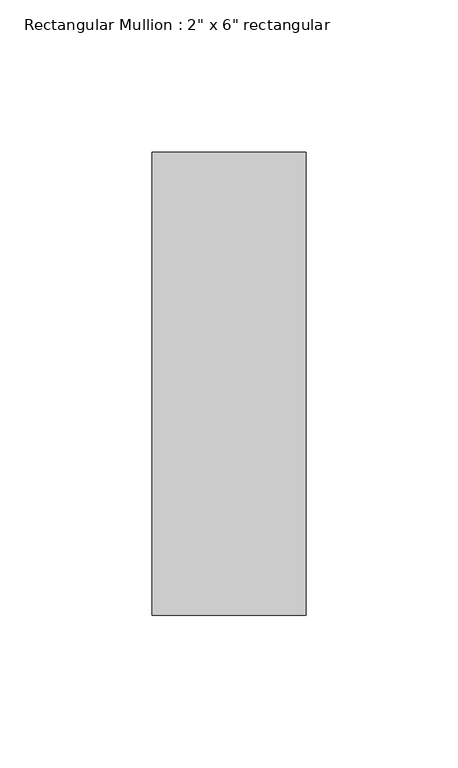
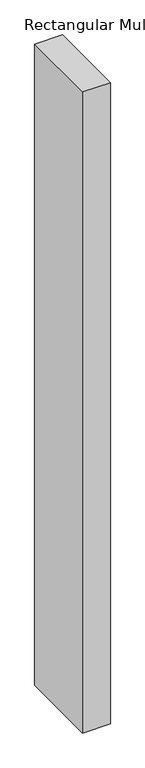
"""IFC4 building model written with IfcOpenShell, lengths in millimetres: member geometry."""

import ifcopenshell
import ifcopenshell.guid

model = None  # the IFC model being written
_history = None  # IfcOwnerHistory: only IFC2X3 demands one
_inside = {}  # id of a spatial element -> (the spatial element, [elements in it])
_under = {}  # id of a project, library or spatial element -> (it, [spatial elements below it])
_declared = {}  # id of a project -> (the project, [libraries it declares])
_typed = {}  # id of a type object -> (the type object, [elements of that type])
_made_of = {}  # id of a material, layer set ... -> (it, [elements and type objects made of it])


def new_model(schema):
    """Start an empty IFC model of exactly this schema.

    Asked for "IFC4X3", IfcOpenShell would pick the latest addendum, in which some entities
    have other attributes; the version numbers below select the first issue.
    IFC2X3 requires an IfcOwnerHistory on every rooted entity: one is made here for all.
    """
    global model, _history
    if schema == "IFC4X3":
        model = ifcopenshell.file(schema_version=(4, 3, 0, 0))
    else:
        model = ifcopenshell.file(schema=schema)
    _inside.clear()
    _under.clear()
    _declared.clear()
    _typed.clear()
    _made_of.clear()
    _history = None
    if model.schema == "IFC2X3":
        org = make("IfcOrganization", Name="unknown")
        user = make(
            "IfcPersonAndOrganization",
            ThePerson=make("IfcPerson", FamilyName="unknown"),
            TheOrganization=org,
        )
        app = make(
            "IfcApplication",
            ApplicationDeveloper=org,
            Version="unknown",
            ApplicationFullName="unknown",
            ApplicationIdentifier="unknown",
        )
        _history = make(
            "IfcOwnerHistory",
            OwningUser=user,
            OwningApplication=app,
            ChangeAction="ADDED",
            CreationDate=0,
        )
    return model


def make(cls, **values):
    """One entity of the class cls with the attributes given. An attribute that is None is left unset."""
    return model.create_entity(
        cls, **{name: value for name, value in values.items() if value is not None}
    )


def rooted(cls, **values):
    """An entity with a GlobalId (a new one), such as an element, a storey or a relation."""
    return make(cls, GlobalId=ifcopenshell.guid.new(), OwnerHistory=_history, **values)


def si_unit(unit_type, name, prefix=None):
    """IfcSIUnit, for example si_unit("LENGTHUNIT", "METRE", prefix="MILLI")."""
    return make("IfcSIUnit", UnitType=unit_type, Prefix=prefix, Name=name)


def assignment(units):
    """IfcUnitAssignment: the units of a project."""
    return None if units is None else make("IfcUnitAssignment", Units=units)


def point(xyz):
    """IfcCartesianPoint."""
    return None if xyz is None else make("IfcCartesianPoint", Coordinates=xyz)


def direction(xyz):
    """IfcDirection."""
    return None if xyz is None else make("IfcDirection", DirectionRatios=xyz)


def frame(location, z_axis=None, x_axis=None):
    """IfcAxis2Placement3D, a coordinate frame: its origin and axes. An axis left out is left unset."""
    return make(
        "IfcAxis2Placement3D",
        Location=point(location),
        Axis=direction(z_axis),
        RefDirection=direction(x_axis),
    )


def origin():
    """The frame at (0, 0, 0) with its axes left unset."""
    return frame((0.0, 0.0, 0.0))


def place(relative_to, where):
    """IfcLocalPlacement: puts the frame where relative to a parent placement (None: the world)."""
    return make(
        "IfcLocalPlacement", PlacementRelTo=relative_to, RelativePlacement=where
    )


def context(
    kind, dimensions, precision=None, world=None, true_north=None, identifier=None
):
    """IfcGeometricRepresentationContext, for example the 3D "Model" context."""
    return make(
        "IfcGeometricRepresentationContext",
        ContextIdentifier=identifier,
        ContextType=kind,
        CoordinateSpaceDimension=dimensions,
        Precision=precision,
        WorldCoordinateSystem=world,
        TrueNorth=true_north,
    )


def project(units=None, contexts=None):
    """IfcProject with its units and contexts."""
    return rooted(
        "IfcProject",
        Name="project",
        RepresentationContexts=contexts,
        UnitsInContext=assignment(units),
    )


def spatial(cls, under=None, at=None, **own):
    """A site, building, storey or space (cls), placed at a placement, below another one or the project."""
    s = rooted(cls, ObjectPlacement=at, **own)
    if under is not None:
        _under.setdefault(under.id(), (under, []))[1].append(s)
    return s


def polyline(points):
    """IfcPolyline through the points."""
    return make("IfcPolyline", Points=[point(p) for p in points])


def outline(outer, holes=None, kind="AREA"):
    """IfcArbitraryClosedProfileDef: a profile drawn as a closed curve; with holes, ...WithVoids."""
    if holes is None:
        return make("IfcArbitraryClosedProfileDef", ProfileType=kind, OuterCurve=outer)
    return make(
        "IfcArbitraryProfileDefWithVoids",
        ProfileType=kind,
        OuterCurve=outer,
        InnerCurves=holes,
    )


def extrude(swept, where, along, depth):
    """IfcExtrudedAreaSolid: the profile swept, set in the frame where, extruded along a direction by depth."""
    return make(
        "IfcExtrudedAreaSolid",
        SweptArea=swept,
        Position=where,
        ExtrudedDirection=direction(along),
        Depth=depth,
    )


def shape(context_of_items, identifier, shape_type, items):
    """IfcShapeRepresentation: the items that make up one representation, for example the "Body"."""
    return make(
        "IfcShapeRepresentation",
        ContextOfItems=context_of_items,
        RepresentationIdentifier=identifier,
        RepresentationType=shape_type,
        Items=items,
    )


def source(mapping_origin, context_of_items, identifier, shape_type, items):
    """IfcRepresentationMap: a shape defined once, which mapped items show again and again."""
    return make(
        "IfcRepresentationMap",
        MappingOrigin=mapping_origin,
        MappedRepresentation=shape(context_of_items, identifier, shape_type, items),
    )


def transform(
    local_origin,
    x_axis=None,
    y_axis=None,
    z_axis=None,
    scale=None,
    scale2=None,
    scale3=None,
    uniform=True,
):
    """IfcCartesianTransformationOperator3D, or its non-uniform kind. x_axis, y_axis, z_axis: its Axis1, 2, 3."""
    if uniform:
        return make(
            "IfcCartesianTransformationOperator3D",
            Axis1=direction(x_axis),
            Axis2=direction(y_axis),
            LocalOrigin=point(local_origin),
            Scale=scale,
            Axis3=direction(z_axis),
        )
    return make(
        "IfcCartesianTransformationOperator3DnonUniform",
        Axis1=direction(x_axis),
        Axis2=direction(y_axis),
        LocalOrigin=point(local_origin),
        Scale=scale,
        Axis3=direction(z_axis),
        Scale2=scale2,
        Scale3=scale3,
    )


def mapped(mapping_source, mapping_target):
    """IfcMappedItem: shows the shape of a source again, moved by a transform."""
    return make(
        "IfcMappedItem", MappingSource=mapping_source, MappingTarget=mapping_target
    )


def made_of(thing, what):
    """Note that an element or type object is made of a material, layer set ...; save() writes the relation."""
    if what is not None:
        _made_of.setdefault(what.id(), (what, []))[1].append(thing)
    return thing


def element(
    cls,
    number,
    at=None,
    inside=None,
    cuts=None,
    type_object=None,
    material=None,
    context=None,
    identifier="Body",
    shape_type=None,
    held_by="IfcProductDefinitionShape",
    body=None,
    shapes=None,
    **own,
):
    """One element of the class cls, such as IfcWall. Its Tag is "e" and its number.

    at: its placement. inside: the storey or other place that contains it. cuts: it is an
    opening in that element (IfcRelVoidsElement). A single representation is given by context,
    identifier, shape_type and body (its items); several are given by shapes. held_by: the class
    of the entity that holds the representations. save() writes the other relations.
    """
    e = rooted(cls, Tag="e%d" % number, ObjectPlacement=at, **own)
    if body is not None:
        shapes = [shape(context, identifier, shape_type, body)]
    if shapes is not None:
        e.Representation = make(held_by, Representations=shapes)
    if inside is not None:
        _inside.setdefault(inside.id(), (inside, []))[1].append(e)
    if cuts is not None:
        rooted(
            "IfcRelVoidsElement", RelatingBuildingElement=cuts, RelatedOpeningElement=e
        )
    if type_object is not None:
        _typed.setdefault(type_object.id(), (type_object, []))[1].append(e)
    return made_of(e, material)


def aggregate(whole, parts):
    """IfcRelAggregates: a whole, such as a stair, and the parts it consists of."""
    return rooted("IfcRelAggregates", RelatingObject=whole, RelatedObjects=parts)


def save(model, path):
    """Write the relations noted so far, then the file.

    IfcRelAggregates (storeys below a building ...), IfcRelContainedInSpatialStructure (elements
    in a storey), IfcRelDefinesByType, IfcRelAssociatesMaterial and IfcRelDeclares: one each for
    every whole, place, type object, material and project.
    """
    for whole, parts in _under.values():
        aggregate(whole, parts)
    for where, things in _inside.values():
        rooted(
            "IfcRelContainedInSpatialStructure",
            RelatedElements=things,
            RelatingStructure=where,
        )
    for kind, things in _typed.values():
        rooted("IfcRelDefinesByType", RelatedObjects=things, RelatingType=kind)
    for what, things in _made_of.values():
        rooted("IfcRelAssociatesMaterial", RelatedObjects=things, RelatingMaterial=what)
    for by, libraries in _declared.values():
        rooted("IfcRelDeclares", RelatingContext=by, RelatedDefinitions=libraries)
    model.write(path)


def member_c600a70f(model_context):
    return source(origin(), model_context, "Body", "SweptSolid", [
        extrude(outline(polyline([(0.0, 76.2), (0.0, -76.2), (-50.8, -76.2), (-50.8, 76.2), (0.0, 76.2)])), frame((0.0, 0.0, -1244.6), z_axis=(0.0, 0.0, 1.0), x_axis=(1.0, 0.0, 0.0)), (0.0, 0.0, 1.0), 1244.6),
    ])


if __name__ == "__main__":
    model = new_model("IFC4")
    model_context = context("Model", 3, world=origin())
    ifc_project = project(units=[si_unit("LENGTHUNIT", "METRE", prefix="MILLI")], contexts=[model_context])
    site = spatial("IfcSite", under=ifc_project)
    building = spatial("IfcBuilding", under=site)
    placement = place(None, origin())
    member_shape = member_c600a70f(model_context)
    element("IfcMember", 1, ObjectType="Rectangular Mullion : 2\" x 6\" rectangular", at=placement, inside=building, context=model_context, shape_type="MappedRepresentation", body=[
        mapped(member_shape, transform((0.0, 0.0, 0.0), x_axis=(1.0, 0.0, 0.0), y_axis=(0.0, 1.0, 0.0), z_axis=(0.0, 0.0, 1.0))),
    ])
    save(model, "model.ifc")
